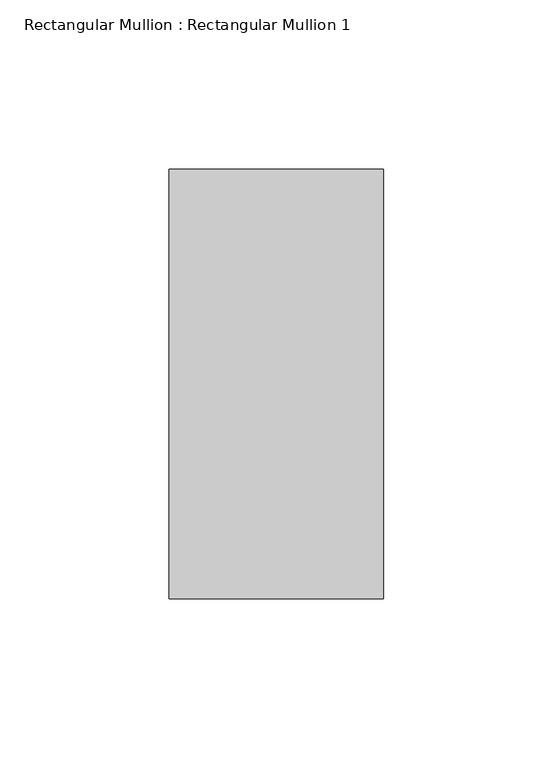
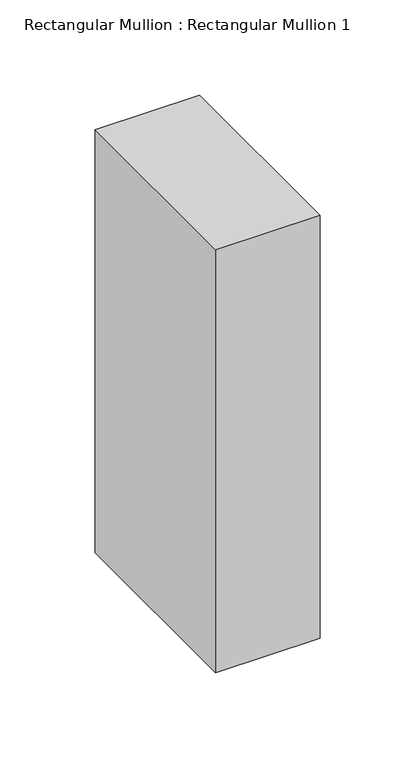
"""IFC4 building model written with IfcOpenShell, lengths in millimetres: member geometry, Rectangular Mullion : Rectangular Mullion 1."""

from ifc_helpers import new_model, si_unit, frame, origin, place, context, project, spatial, polyline, outline, extrude, source, transform, mapped, element, save


def rectangular_mullion_rectangular_mullion_1_7425881c(model_context):
    return source(origin(), model_context, "Body", "SweptSolid", [
        extrude(outline(polyline([(31.75, 63.5), (31.75, -63.5), (-31.75, -63.5), (-31.75, 63.5), (31.75, 63.5)])), frame((0.0, 0.0, -271.75), z_axis=(0.0, 0.0, 1.0), x_axis=(1.0, 0.0, 0.0)), (0.0, 0.0, 1.0), 271.75),
    ])


if __name__ == "__main__":
    model = new_model("IFC4")
    model_context = context("Model", 3, world=origin())
    ifc_project = project(units=[si_unit("LENGTHUNIT", "METRE", prefix="MILLI")], contexts=[model_context])
    site = spatial("IfcSite", under=ifc_project)
    building = spatial("IfcBuilding", under=site)
    placement = place(None, origin())
    rectangular_mullion_rectangular_mullion_1_shape = rectangular_mullion_rectangular_mullion_1_7425881c(model_context)
    element("IfcMember", 1, ObjectType="Rectangular Mullion : Rectangular Mullion 1", at=placement, inside=building, context=model_context, shape_type="MappedRepresentation", body=[
        mapped(rectangular_mullion_rectangular_mullion_1_shape, transform((0.0, 0.0, 0.0), x_axis=(1.0, 0.0, 0.0), y_axis=(0.0, 1.0, 0.0), z_axis=(0.0, 0.0, 1.0))),
    ])
    save(model, "model.ifc")
